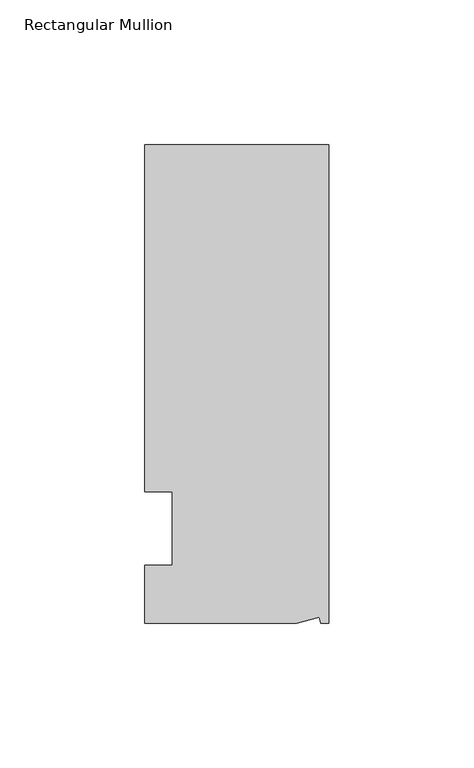
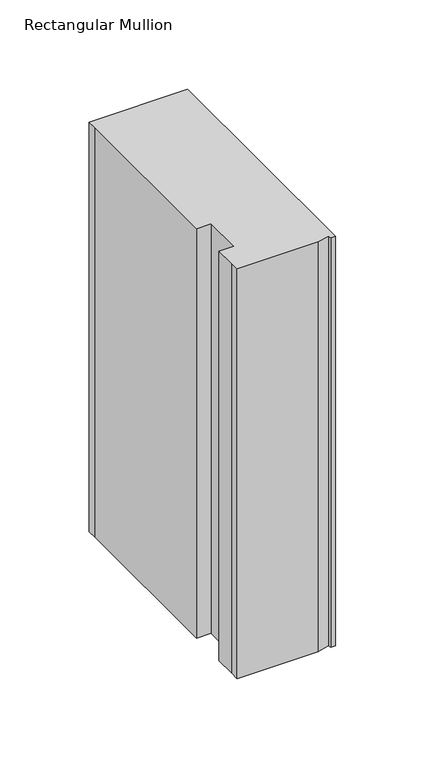
"""IFC4 building model written with IfcOpenShell, lengths in millimetres: member geometry, Rectangular Mullion."""

import ifcopenshell
import ifcopenshell.guid

model = None  # the IFC model being written
_history = None  # IfcOwnerHistory: only IFC2X3 demands one
_inside = {}  # id of a spatial element -> (the spatial element, [elements in it])
_under = {}  # id of a project, library or spatial element -> (it, [spatial elements below it])
_declared = {}  # id of a project -> (the project, [libraries it declares])
_typed = {}  # id of a type object -> (the type object, [elements of that type])
_made_of = {}  # id of a material, layer set ... -> (it, [elements and type objects made of it])


def new_model(schema):
    """Start an empty IFC model of exactly this schema.

    Asked for "IFC4X3", IfcOpenShell would pick the latest addendum, in which some entities
    have other attributes; the version numbers below select the first issue.
    IFC2X3 requires an IfcOwnerHistory on every rooted entity: one is made here for all.
    """
    global model, _history
    if schema == "IFC4X3":
        model = ifcopenshell.file(schema_version=(4, 3, 0, 0))
    else:
        model = ifcopenshell.file(schema=schema)
    _inside.clear()
    _under.clear()
    _declared.clear()
    _typed.clear()
    _made_of.clear()
    _history = None
    if model.schema == "IFC2X3":
        org = make("IfcOrganization", Name="unknown")
        user = make(
            "IfcPersonAndOrganization",
            ThePerson=make("IfcPerson", FamilyName="unknown"),
            TheOrganization=org,
        )
        app = make(
            "IfcApplication",
            ApplicationDeveloper=org,
            Version="unknown",
            ApplicationFullName="unknown",
            ApplicationIdentifier="unknown",
        )
        _history = make(
            "IfcOwnerHistory",
            OwningUser=user,
            OwningApplication=app,
            ChangeAction="ADDED",
            CreationDate=0,
        )
    return model


def make(cls, **values):
    """One entity of the class cls with the attributes given. An attribute that is None is left unset."""
    return model.create_entity(
        cls, **{name: value for name, value in values.items() if value is not None}
    )


def rooted(cls, **values):
    """An entity with a GlobalId (a new one), such as an element, a storey or a relation."""
    return make(cls, GlobalId=ifcopenshell.guid.new(), OwnerHistory=_history, **values)


def si_unit(unit_type, name, prefix=None):
    """IfcSIUnit, for example si_unit("LENGTHUNIT", "METRE", prefix="MILLI")."""
    return make("IfcSIUnit", UnitType=unit_type, Prefix=prefix, Name=name)


def assignment(units):
    """IfcUnitAssignment: the units of a project."""
    return None if units is None else make("IfcUnitAssignment", Units=units)


def point(xyz):
    """IfcCartesianPoint."""
    return None if xyz is None else make("IfcCartesianPoint", Coordinates=xyz)


def direction(xyz):
    """IfcDirection."""
    return None if xyz is None else make("IfcDirection", DirectionRatios=xyz)


def frame(location, z_axis=None, x_axis=None):
    """IfcAxis2Placement3D, a coordinate frame: its origin and axes. An axis left out is left unset."""
    return make(
        "IfcAxis2Placement3D",
        Location=point(location),
        Axis=direction(z_axis),
        RefDirection=direction(x_axis),
    )


def origin():
    """The frame at (0, 0, 0) with its axes left unset."""
    return frame((0.0, 0.0, 0.0))


def place(relative_to, where):
    """IfcLocalPlacement: puts the frame where relative to a parent placement (None: the world)."""
    return make(
        "IfcLocalPlacement", PlacementRelTo=relative_to, RelativePlacement=where
    )


def context(
    kind, dimensions, precision=None, world=None, true_north=None, identifier=None
):
    """IfcGeometricRepresentationContext, for example the 3D "Model" context."""
    return make(
        "IfcGeometricRepresentationContext",
        ContextIdentifier=identifier,
        ContextType=kind,
        CoordinateSpaceDimension=dimensions,
        Precision=precision,
        WorldCoordinateSystem=world,
        TrueNorth=true_north,
    )


def project(units=None, contexts=None):
    """IfcProject with its units and contexts."""
    return rooted(
        "IfcProject",
        Name="project",
        RepresentationContexts=contexts,
        UnitsInContext=assignment(units),
    )


def spatial(cls, under=None, at=None, **own):
    """A site, building, storey or space (cls), placed at a placement, below another one or the project."""
    s = rooted(cls, ObjectPlacement=at, **own)
    if under is not None:
        _under.setdefault(under.id(), (under, []))[1].append(s)
    return s


def polyline(points):
    """IfcPolyline through the points."""
    return make("IfcPolyline", Points=[point(p) for p in points])


def outline(outer, holes=None, kind="AREA"):
    """IfcArbitraryClosedProfileDef: a profile drawn as a closed curve; with holes, ...WithVoids."""
    if holes is None:
        return make("IfcArbitraryClosedProfileDef", ProfileType=kind, OuterCurve=outer)
    return make(
        "IfcArbitraryProfileDefWithVoids",
        ProfileType=kind,
        OuterCurve=outer,
        InnerCurves=holes,
    )


def extrude(swept, where, along, depth):
    """IfcExtrudedAreaSolid: the profile swept, set in the frame where, extruded along a direction by depth."""
    return make(
        "IfcExtrudedAreaSolid",
        SweptArea=swept,
        Position=where,
        ExtrudedDirection=direction(along),
        Depth=depth,
    )


def shape(context_of_items, identifier, shape_type, items):
    """IfcShapeRepresentation: the items that make up one representation, for example the "Body"."""
    return make(
        "IfcShapeRepresentation",
        ContextOfItems=context_of_items,
        RepresentationIdentifier=identifier,
        RepresentationType=shape_type,
        Items=items,
    )


def source(mapping_origin, context_of_items, identifier, shape_type, items):
    """IfcRepresentationMap: a shape defined once, which mapped items show again and again."""
    return make(
        "IfcRepresentationMap",
        MappingOrigin=mapping_origin,
        MappedRepresentation=shape(context_of_items, identifier, shape_type, items),
    )


def transform(
    local_origin,
    x_axis=None,
    y_axis=None,
    z_axis=None,
    scale=None,
    scale2=None,
    scale3=None,
    uniform=True,
):
    """IfcCartesianTransformationOperator3D, or its non-uniform kind. x_axis, y_axis, z_axis: its Axis1, 2, 3."""
    if uniform:
        return make(
            "IfcCartesianTransformationOperator3D",
            Axis1=direction(x_axis),
            Axis2=direction(y_axis),
            LocalOrigin=point(local_origin),
            Scale=scale,
            Axis3=direction(z_axis),
        )
    return make(
        "IfcCartesianTransformationOperator3DnonUniform",
        Axis1=direction(x_axis),
        Axis2=direction(y_axis),
        LocalOrigin=point(local_origin),
        Scale=scale,
        Axis3=direction(z_axis),
        Scale2=scale2,
        Scale3=scale3,
    )


def mapped(mapping_source, mapping_target):
    """IfcMappedItem: shows the shape of a source again, moved by a transform."""
    return make(
        "IfcMappedItem", MappingSource=mapping_source, MappingTarget=mapping_target
    )


def made_of(thing, what):
    """Note that an element or type object is made of a material, layer set ...; save() writes the relation."""
    if what is not None:
        _made_of.setdefault(what.id(), (what, []))[1].append(thing)
    return thing


def element(
    cls,
    number,
    at=None,
    inside=None,
    cuts=None,
    type_object=None,
    material=None,
    context=None,
    identifier="Body",
    shape_type=None,
    held_by="IfcProductDefinitionShape",
    body=None,
    shapes=None,
    **own,
):
    """One element of the class cls, such as IfcWall. Its Tag is "e" and its number.

    at: its placement. inside: the storey or other place that contains it. cuts: it is an
    opening in that element (IfcRelVoidsElement). A single representation is given by context,
    identifier, shape_type and body (its items); several are given by shapes. held_by: the class
    of the entity that holds the representations. save() writes the other relations.
    """
    e = rooted(cls, Tag="e%d" % number, ObjectPlacement=at, **own)
    if body is not None:
        shapes = [shape(context, identifier, shape_type, body)]
    if shapes is not None:
        e.Representation = make(held_by, Representations=shapes)
    if inside is not None:
        _inside.setdefault(inside.id(), (inside, []))[1].append(e)
    if cuts is not None:
        rooted(
            "IfcRelVoidsElement", RelatingBuildingElement=cuts, RelatedOpeningElement=e
        )
    if type_object is not None:
        _typed.setdefault(type_object.id(), (type_object, []))[1].append(e)
    return made_of(e, material)


def aggregate(whole, parts):
    """IfcRelAggregates: a whole, such as a stair, and the parts it consists of."""
    return rooted("IfcRelAggregates", RelatingObject=whole, RelatedObjects=parts)


def save(model, path):
    """Write the relations noted so far, then the file.

    IfcRelAggregates (storeys below a building ...), IfcRelContainedInSpatialStructure (elements
    in a storey), IfcRelDefinesByType, IfcRelAssociatesMaterial and IfcRelDeclares: one each for
    every whole, place, type object, material and project.
    """
    for whole, parts in _under.values():
        aggregate(whole, parts)
    for where, things in _inside.values():
        rooted(
            "IfcRelContainedInSpatialStructure",
            RelatedElements=things,
            RelatingStructure=where,
        )
    for kind, things in _typed.values():
        rooted("IfcRelDefinesByType", RelatedObjects=things, RelatingType=kind)
    for what, things in _made_of.values():
        rooted("IfcRelAssociatesMaterial", RelatedObjects=things, RelatingMaterial=what)
    for by, libraries in _declared.values():
        rooted("IfcRelDeclares", RelatingContext=by, RelatedDefinitions=libraries)
    model.write(path)


def rectangular_mullion_e8a4bec3(model_context):
    return source(origin(), model_context, "Body", "SweptSolid", [
        extrude(outline(polyline([(0.0, 132.5561012), (0.0, -32.5438988), (-2.7616541, -32.5438988), (-3.3341886, -30.4622958), (-11.121847, -32.5438988), (-63.5, -32.5438988), (-63.5, -26.1938988), (-63.5, -12.5945801), (-53.975, -12.5945801), (-53.975, 12.8054199), (-63.5, 12.8054199), (-63.5, 126.2061012), (-63.5, 132.5561012), (0.0, 132.5561012)])), frame((0.0, 0.0, -279.4), z_axis=(0.0, 0.0, 1.0), x_axis=(1.0, 0.0, 0.0)), (0.0, 0.0, 1.0), 279.4),
    ])


if __name__ == "__main__":
    model = new_model("IFC4")
    model_context = context("Model", 3, world=origin())
    ifc_project = project(units=[si_unit("LENGTHUNIT", "METRE", prefix="MILLI")], contexts=[model_context])
    site = spatial("IfcSite", under=ifc_project)
    building = spatial("IfcBuilding", under=site)
    placement = place(None, origin())
    rectangular_mullion_shape = rectangular_mullion_e8a4bec3(model_context)
    element("IfcMember", 1, ObjectType="Rectangular Mullion", at=placement, inside=building, context=model_context, shape_type="MappedRepresentation", body=[
        mapped(rectangular_mullion_shape, transform((0.0, 0.0, 0.0), x_axis=(1.0, 0.0, 0.0), y_axis=(0.0, 1.0, 0.0), z_axis=(0.0, 0.0, 1.0))),
    ])
    save(model, "model.ifc")
